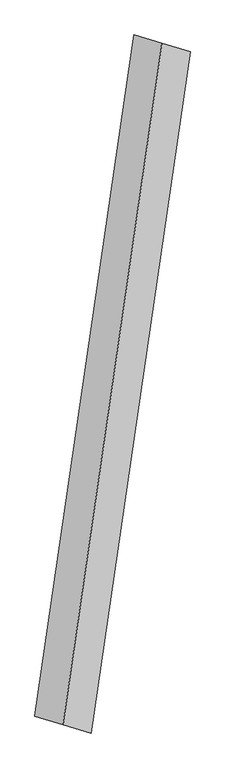
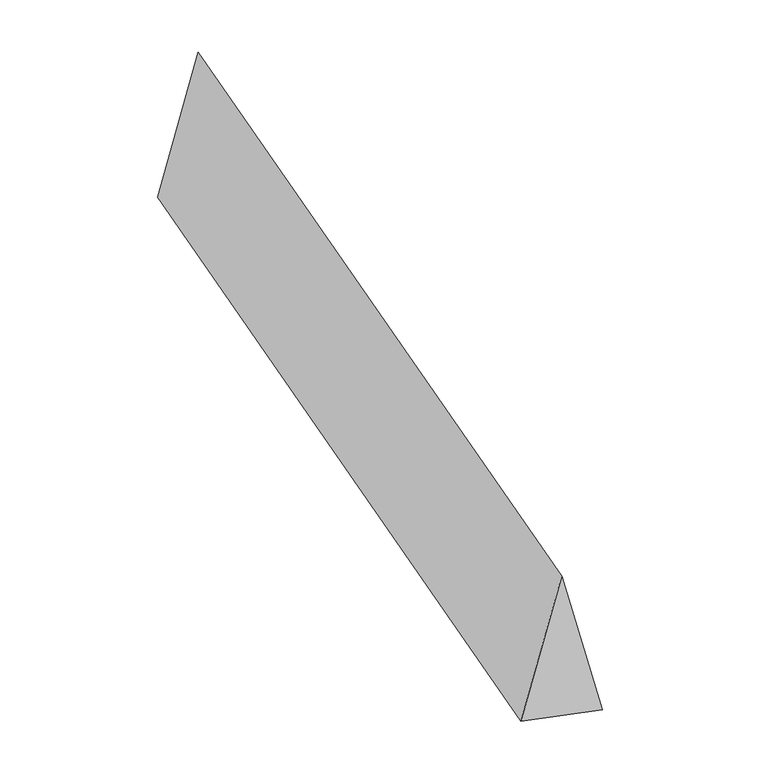
"""IFC4 building model written with IfcOpenShell, lengths in millimetres: proxy geometry."""

from ifc_helpers import new_model, si_unit, origin, place, context, project, spatial, faceted_brep, source, transform, mapped, element, save


def generic_models_1f758f80(model_context):
    return source(origin(), model_context, "Body", "Brep", [
        faceted_brep([(-291.091507, -1999.4106071, 700.0), (-125.4344471, -2048.3232766, 0.0), (456.748567, 1950.4979376, 0.0), (291.091507, 1999.4106071, 700.0), (-456.748567, -1950.4979376, 0.0), (125.4344471, 2048.3232766, 0.0)], [[[0, 1, 2, 3]], [[1, 4, 5, 2]], [[4, 0, 3, 5]], [[3, 2, 5]], [[0, 4, 1]]]),
    ])


if __name__ == "__main__":
    model = new_model("IFC4")
    model_context = context("Model", 3, world=origin())
    ifc_project = project(units=[si_unit("LENGTHUNIT", "METRE", prefix="MILLI")], contexts=[model_context])
    site = spatial("IfcSite", under=ifc_project)
    building = spatial("IfcBuilding", under=site)
    placement = place(None, origin())
    generic_models_shape = generic_models_1f758f80(model_context)
    element("IfcBuildingElementProxy", 1, Name="Generic Models", at=placement, inside=building, context=model_context, shape_type="MappedRepresentation", body=[
        mapped(generic_models_shape, transform((0.0, 0.0, 0.0), x_axis=(1.0, 0.0, 0.0), y_axis=(0.0, 1.0, 0.0), z_axis=(0.0, 0.0, 1.0))),
    ])
    save(model, "model.ifc")
